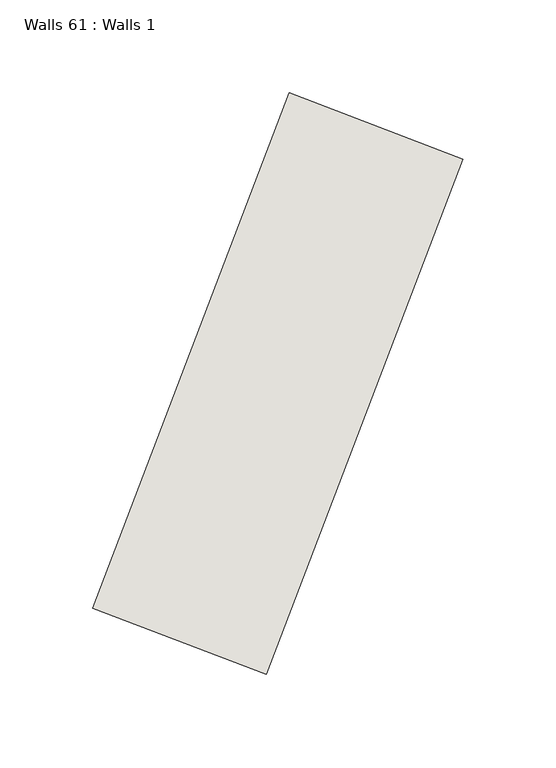
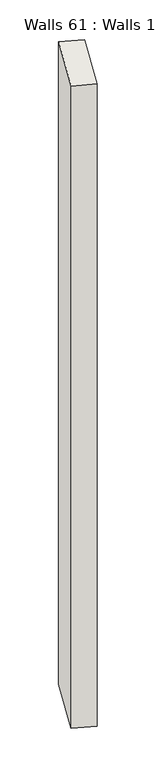
"""IFC4 building model written with IfcOpenShell, lengths in millimetres: wall geometry, Walls 61 : Walls 1."""

from ifc_helpers import new_model, si_unit, origin, origin_with_axes, place, context, project, spatial, polyline, outline, extrude, source, transform, mapped, element, save


def walls_61_walls_1_d5991aaf(model_context):
    return source(origin(), model_context, "Body", "SweptSolid", [
        extrude(outline(polyline([(7497.9871917, 1047.3528466), (7603.6299614, 1324.6388821), (7697.0776143, 1289.0364081), (7591.4348446, 1011.7503726), (7497.9871917, 1047.3528466)])), origin_with_axes(), (0.0, 0.0, 1.0), 2980.3404087),
    ])


if __name__ == "__main__":
    model = new_model("IFC4")
    model_context = context("Model", 3, world=origin())
    ifc_project = project(units=[si_unit("LENGTHUNIT", "METRE", prefix="MILLI")], contexts=[model_context])
    site = spatial("IfcSite", under=ifc_project)
    building = spatial("IfcBuilding", under=site)
    placement = place(None, origin())
    walls_61_walls_1_shape = walls_61_walls_1_d5991aaf(model_context)
    element("IfcWall", 1, ObjectType="Walls 61 : Walls 1", at=placement, inside=building, context=model_context, shape_type="MappedRepresentation", body=[
        mapped(walls_61_walls_1_shape, transform((0.0, 0.0, 0.0), x_axis=(1.0, 0.0, 0.0), y_axis=(0.0, 1.0, 0.0), z_axis=(0.0, 0.0, 1.0))),
    ])
    save(model, "model.ifc")
